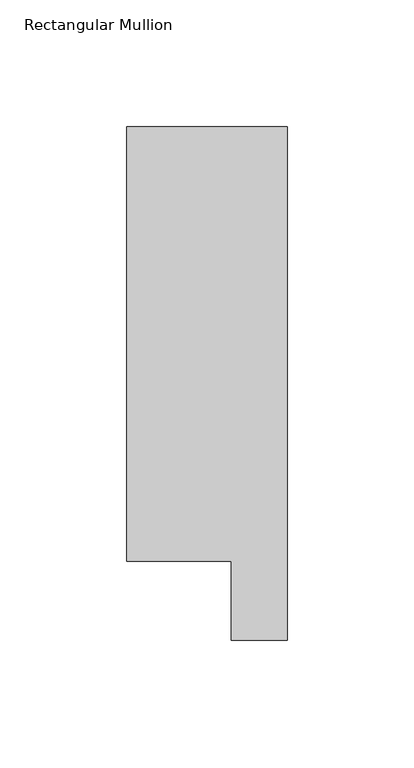
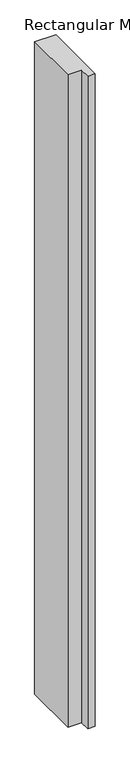
"""IFC4 building model written with IfcOpenShell, lengths in millimetres: member geometry, Rectangular Mullion."""

from ifc_helpers import new_model, si_unit, frame, origin, place, context, project, spatial, polyline, outline, extrude, source, transform, mapped, element, save


def rectangular_mullion_4338623b(model_context):
    return source(origin(), model_context, "Body", "SweptSolid", [
        extrude(outline(polyline([(31.7499999, 222.5381313), (31.7499999, 19.5667312), (9.5376999, 19.5667312), (9.5376999, 50.820278), (-31.7499997, 50.820278), (-31.7499997, 222.5381313), (31.7499999, 222.5381313)])), frame((0.0, 0.0, -2057.3999999), z_axis=(0.0, 0.0, 1.0), x_axis=(1.0, 0.0, 0.0)), (0.0, 0.0, 1.0), 2057.3999999),
    ])


if __name__ == "__main__":
    model = new_model("IFC4")
    model_context = context("Model", 3, world=origin())
    ifc_project = project(units=[si_unit("LENGTHUNIT", "METRE", prefix="MILLI")], contexts=[model_context])
    site = spatial("IfcSite", under=ifc_project)
    building = spatial("IfcBuilding", under=site)
    placement = place(None, origin())
    rectangular_mullion_shape = rectangular_mullion_4338623b(model_context)
    element("IfcMember", 1, ObjectType="Rectangular Mullion", at=placement, inside=building, context=model_context, shape_type="MappedRepresentation", body=[
        mapped(rectangular_mullion_shape, transform((0.0, 0.0, 0.0), x_axis=(1.0, 0.0, 0.0), y_axis=(0.0, 1.0, 0.0), z_axis=(0.0, 0.0, 1.0))),
    ])
    save(model, "model.ifc")
